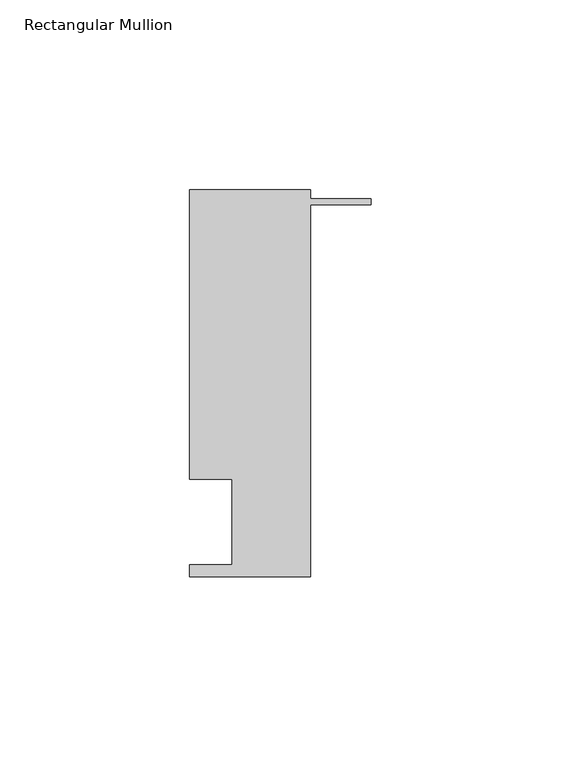
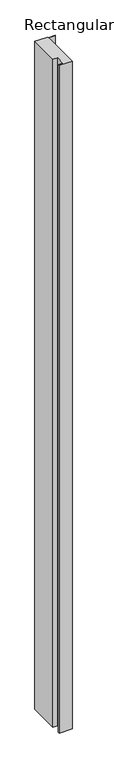
"""IFC4 building model written with IfcOpenShell, lengths in millimetres: member geometry, Rectangular Mullion."""

import ifcopenshell
import ifcopenshell.guid

model = None  # the IFC model being written
_history = None  # IfcOwnerHistory: only IFC2X3 demands one
_inside = {}  # id of a spatial element -> (the spatial element, [elements in it])
_under = {}  # id of a project, library or spatial element -> (it, [spatial elements below it])
_declared = {}  # id of a project -> (the project, [libraries it declares])
_typed = {}  # id of a type object -> (the type object, [elements of that type])
_made_of = {}  # id of a material, layer set ... -> (it, [elements and type objects made of it])


def new_model(schema):
    """Start an empty IFC model of exactly this schema.

    Asked for "IFC4X3", IfcOpenShell would pick the latest addendum, in which some entities
    have other attributes; the version numbers below select the first issue.
    IFC2X3 requires an IfcOwnerHistory on every rooted entity: one is made here for all.
    """
    global model, _history
    if schema == "IFC4X3":
        model = ifcopenshell.file(schema_version=(4, 3, 0, 0))
    else:
        model = ifcopenshell.file(schema=schema)
    _inside.clear()
    _under.clear()
    _declared.clear()
    _typed.clear()
    _made_of.clear()
    _history = None
    if model.schema == "IFC2X3":
        org = make("IfcOrganization", Name="unknown")
        user = make(
            "IfcPersonAndOrganization",
            ThePerson=make("IfcPerson", FamilyName="unknown"),
            TheOrganization=org,
        )
        app = make(
            "IfcApplication",
            ApplicationDeveloper=org,
            Version="unknown",
            ApplicationFullName="unknown",
            ApplicationIdentifier="unknown",
        )
        _history = make(
            "IfcOwnerHistory",
            OwningUser=user,
            OwningApplication=app,
            ChangeAction="ADDED",
            CreationDate=0,
        )
    return model


def make(cls, **values):
    """One entity of the class cls with the attributes given. An attribute that is None is left unset."""
    return model.create_entity(
        cls, **{name: value for name, value in values.items() if value is not None}
    )


def rooted(cls, **values):
    """An entity with a GlobalId (a new one), such as an element, a storey or a relation."""
    return make(cls, GlobalId=ifcopenshell.guid.new(), OwnerHistory=_history, **values)


def si_unit(unit_type, name, prefix=None):
    """IfcSIUnit, for example si_unit("LENGTHUNIT", "METRE", prefix="MILLI")."""
    return make("IfcSIUnit", UnitType=unit_type, Prefix=prefix, Name=name)


def assignment(units):
    """IfcUnitAssignment: the units of a project."""
    return None if units is None else make("IfcUnitAssignment", Units=units)


def point(xyz):
    """IfcCartesianPoint."""
    return None if xyz is None else make("IfcCartesianPoint", Coordinates=xyz)


def direction(xyz):
    """IfcDirection."""
    return None if xyz is None else make("IfcDirection", DirectionRatios=xyz)


def frame(location, z_axis=None, x_axis=None):
    """IfcAxis2Placement3D, a coordinate frame: its origin and axes. An axis left out is left unset."""
    return make(
        "IfcAxis2Placement3D",
        Location=point(location),
        Axis=direction(z_axis),
        RefDirection=direction(x_axis),
    )


def origin():
    """The frame at (0, 0, 0) with its axes left unset."""
    return frame((0.0, 0.0, 0.0))


def place(relative_to, where):
    """IfcLocalPlacement: puts the frame where relative to a parent placement (None: the world)."""
    return make(
        "IfcLocalPlacement", PlacementRelTo=relative_to, RelativePlacement=where
    )


def context(
    kind, dimensions, precision=None, world=None, true_north=None, identifier=None
):
    """IfcGeometricRepresentationContext, for example the 3D "Model" context."""
    return make(
        "IfcGeometricRepresentationContext",
        ContextIdentifier=identifier,
        ContextType=kind,
        CoordinateSpaceDimension=dimensions,
        Precision=precision,
        WorldCoordinateSystem=world,
        TrueNorth=true_north,
    )


def project(units=None, contexts=None):
    """IfcProject with its units and contexts."""
    return rooted(
        "IfcProject",
        Name="project",
        RepresentationContexts=contexts,
        UnitsInContext=assignment(units),
    )


def spatial(cls, under=None, at=None, **own):
    """A site, building, storey or space (cls), placed at a placement, below another one or the project."""
    s = rooted(cls, ObjectPlacement=at, **own)
    if under is not None:
        _under.setdefault(under.id(), (under, []))[1].append(s)
    return s


def polyline(points):
    """IfcPolyline through the points."""
    return make("IfcPolyline", Points=[point(p) for p in points])


def outline(outer, holes=None, kind="AREA"):
    """IfcArbitraryClosedProfileDef: a profile drawn as a closed curve; with holes, ...WithVoids."""
    if holes is None:
        return make("IfcArbitraryClosedProfileDef", ProfileType=kind, OuterCurve=outer)
    return make(
        "IfcArbitraryProfileDefWithVoids",
        ProfileType=kind,
        OuterCurve=outer,
        InnerCurves=holes,
    )


def extrude(swept, where, along, depth):
    """IfcExtrudedAreaSolid: the profile swept, set in the frame where, extruded along a direction by depth."""
    return make(
        "IfcExtrudedAreaSolid",
        SweptArea=swept,
        Position=where,
        ExtrudedDirection=direction(along),
        Depth=depth,
    )


def shape(context_of_items, identifier, shape_type, items):
    """IfcShapeRepresentation: the items that make up one representation, for example the "Body"."""
    return make(
        "IfcShapeRepresentation",
        ContextOfItems=context_of_items,
        RepresentationIdentifier=identifier,
        RepresentationType=shape_type,
        Items=items,
    )


def source(mapping_origin, context_of_items, identifier, shape_type, items):
    """IfcRepresentationMap: a shape defined once, which mapped items show again and again."""
    return make(
        "IfcRepresentationMap",
        MappingOrigin=mapping_origin,
        MappedRepresentation=shape(context_of_items, identifier, shape_type, items),
    )


def transform(
    local_origin,
    x_axis=None,
    y_axis=None,
    z_axis=None,
    scale=None,
    scale2=None,
    scale3=None,
    uniform=True,
):
    """IfcCartesianTransformationOperator3D, or its non-uniform kind. x_axis, y_axis, z_axis: its Axis1, 2, 3."""
    if uniform:
        return make(
            "IfcCartesianTransformationOperator3D",
            Axis1=direction(x_axis),
            Axis2=direction(y_axis),
            LocalOrigin=point(local_origin),
            Scale=scale,
            Axis3=direction(z_axis),
        )
    return make(
        "IfcCartesianTransformationOperator3DnonUniform",
        Axis1=direction(x_axis),
        Axis2=direction(y_axis),
        LocalOrigin=point(local_origin),
        Scale=scale,
        Axis3=direction(z_axis),
        Scale2=scale2,
        Scale3=scale3,
    )


def mapped(mapping_source, mapping_target):
    """IfcMappedItem: shows the shape of a source again, moved by a transform."""
    return make(
        "IfcMappedItem", MappingSource=mapping_source, MappingTarget=mapping_target
    )


def made_of(thing, what):
    """Note that an element or type object is made of a material, layer set ...; save() writes the relation."""
    if what is not None:
        _made_of.setdefault(what.id(), (what, []))[1].append(thing)
    return thing


def element(
    cls,
    number,
    at=None,
    inside=None,
    cuts=None,
    type_object=None,
    material=None,
    context=None,
    identifier="Body",
    shape_type=None,
    held_by="IfcProductDefinitionShape",
    body=None,
    shapes=None,
    **own,
):
    """One element of the class cls, such as IfcWall. Its Tag is "e" and its number.

    at: its placement. inside: the storey or other place that contains it. cuts: it is an
    opening in that element (IfcRelVoidsElement). A single representation is given by context,
    identifier, shape_type and body (its items); several are given by shapes. held_by: the class
    of the entity that holds the representations. save() writes the other relations.
    """
    e = rooted(cls, Tag="e%d" % number, ObjectPlacement=at, **own)
    if body is not None:
        shapes = [shape(context, identifier, shape_type, body)]
    if shapes is not None:
        e.Representation = make(held_by, Representations=shapes)
    if inside is not None:
        _inside.setdefault(inside.id(), (inside, []))[1].append(e)
    if cuts is not None:
        rooted(
            "IfcRelVoidsElement", RelatingBuildingElement=cuts, RelatedOpeningElement=e
        )
    if type_object is not None:
        _typed.setdefault(type_object.id(), (type_object, []))[1].append(e)
    return made_of(e, material)


def aggregate(whole, parts):
    """IfcRelAggregates: a whole, such as a stair, and the parts it consists of."""
    return rooted("IfcRelAggregates", RelatingObject=whole, RelatedObjects=parts)


def save(model, path):
    """Write the relations noted so far, then the file.

    IfcRelAggregates (storeys below a building ...), IfcRelContainedInSpatialStructure (elements
    in a storey), IfcRelDefinesByType, IfcRelAssociatesMaterial and IfcRelDeclares: one each for
    every whole, place, type object, material and project.
    """
    for whole, parts in _under.values():
        aggregate(whole, parts)
    for where, things in _inside.values():
        rooted(
            "IfcRelContainedInSpatialStructure",
            RelatedElements=things,
            RelatingStructure=where,
        )
    for kind, things in _typed.values():
        rooted("IfcRelDefinesByType", RelatedObjects=things, RelatingType=kind)
    for what, things in _made_of.values():
        rooted("IfcRelAssociatesMaterial", RelatedObjects=things, RelatingMaterial=what)
    for by, libraries in _declared.values():
        rooted("IfcRelDeclares", RelatingContext=by, RelatedDefinitions=libraries)
    model.write(path)


def rectangular_mullion_19f0fd6e(model_context):
    return source(origin(), model_context, "Body", "SweptSolid", [
        extrude(outline(polyline([(-16.0176407, 13.8350625), (-47.7676407, 13.8350625), (-47.7676407, 17.020249), (-36.6551407, 17.020249), (-36.6551407, 39.4890625), (-47.7676407, 39.4890625), (-47.7676407, 115.6890625), (-16.0176407, 115.6890625), (-16.0176407, 113.4030625), (0.0, 113.4030625), (0.0, 111.8282625), (-16.0176407, 111.8282625), (-16.0176407, 13.8350625)])), frame((0.0, 0.0, -1720.2442516), z_axis=(0.0, 0.0, 1.0), x_axis=(1.0, 0.0, 0.0)), (0.0, 0.0, 1.0), 1720.2442516),
    ])


if __name__ == "__main__":
    model = new_model("IFC4")
    model_context = context("Model", 3, world=origin())
    ifc_project = project(units=[si_unit("LENGTHUNIT", "METRE", prefix="MILLI")], contexts=[model_context])
    site = spatial("IfcSite", under=ifc_project)
    building = spatial("IfcBuilding", under=site)
    placement = place(None, origin())
    rectangular_mullion_shape = rectangular_mullion_19f0fd6e(model_context)
    element("IfcMember", 1, ObjectType="Rectangular Mullion", at=placement, inside=building, context=model_context, shape_type="MappedRepresentation", body=[
        mapped(rectangular_mullion_shape, transform((0.0, 0.0, 0.0), x_axis=(1.0, 0.0, 0.0), y_axis=(0.0, 1.0, 0.0), z_axis=(0.0, 0.0, 1.0))),
    ])
    save(model, "model.ifc")
